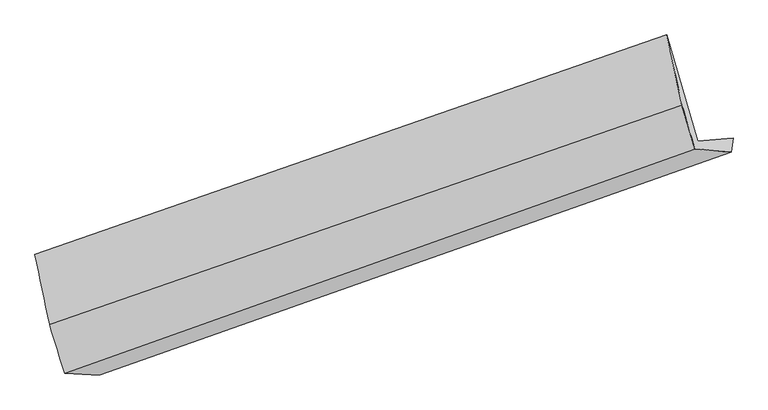
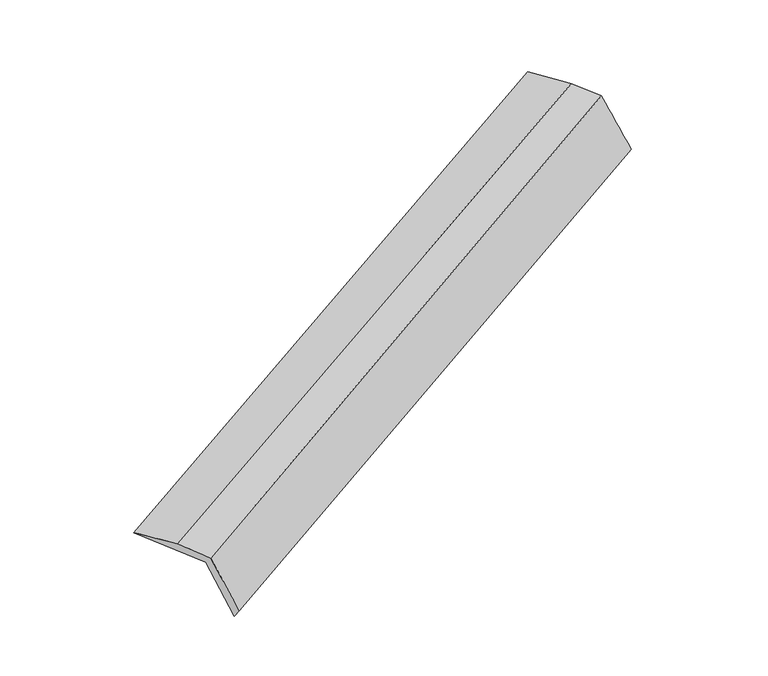
"""IFC4 building model written with IfcOpenShell, lengths in millimetres: proxy geometry."""

from ifc_helpers import new_model, si_unit, frame, origin, place, context, project, spatial, source, transform, mapped, element, save
from ifc_brep_helpers import plane_surface, spline_surface, advanced_brep


def generic_models_ffbdba62(model_context):
    return source(origin(), model_context, "Body", "AdvancedBrep", [
        advanced_brep(
        [(-4932.2200916, -2451.3087607, 479.7553609), (-5202.7357782, -2452.85135, 1114.569843), (-569.4547058, -849.3907087, 3093.4787742), (-311.5047467, -825.5147261, 2468.936323), (-5429.9362198, -1680.1368006, 1019.6298187), (-798.6819278, -69.783027, 2997.6918212), (-5322.1996483, -2195.7339736, 1185.7106888), (-686.807879, -586.103422, 3154.8252546), (-5212.7697113, -2553.5356617, 1219.774946), (-592.462344, -906.9750148, 3194.2493302), (-4949.6722498, -2565.8195625, 613.5545202), (-323.7858599, -931.4902027, 2583.8677509)],
        [
            (0, 1),
            (1, 2),
            (2, 3),
            (3, 0),
            (1, 4),
            (4, 5),
            (5, 2),
            (4, 6),
            (6, 7),
            (7, 5),
            (6, 8),
            (8, 9),
            (9, 7),
            (8, 10),
            (10, 11),
            (11, 9),
            (10, 0),
            (3, 11),
        ],
        [
            spline_surface(1, 1, [[(-4932.2200916, -2451.3087607, 479.7553609), (-311.5047467, -825.5147261, 2468.936323)], [(-5202.7357782, -2452.85135, 1114.569843), (-569.4547058, -849.3907087, 3093.4787742)]], [2, 2], [2, 2], [0.0, 1.0], [0.0, 1.0]),
            plane_surface(frame((-5316.335999, -2066.4940753, 1067.0998308), z_axis=(0.39211666980516663, 0.002268038877657877, -0.9199126987168705), x_axis=(-0.2801484198024922, 0.9527919858026714, -0.11706534360078051))),
            spline_surface(1, 1, [[(-5429.9362198, -1680.1368006, 1019.6298187), (-798.6819278, -69.783027, 2997.6918212)], [(-5322.1996483, -2195.7339736, 1185.7106888), (-686.807879, -586.103422, 3154.8252546)]], [2, 2], [2, 2], [0.0, 1.0], [0.0, 1.0]),
            spline_surface(1, 1, [[(-5322.1996483, -2195.7339736, 1185.7106888), (-686.807879, -586.103422, 3154.8252546)], [(-5212.7697113, -2553.5356617, 1219.774946), (-592.462344, -906.9750148, 3194.2493302)]], [2, 2], [2, 2], [0.0, 1.0], [0.0, 1.0]),
            spline_surface(1, 1, [[(-5212.7697113, -2553.5356617, 1219.774946), (-592.462344, -906.9750148, 3194.2493302)], [(-4949.6722498, -2565.8195625, 613.5545202), (-323.7858599, -931.4902027, 2583.8677509)]], [2, 2], [2, 2], [0.0, 1.0], [0.0, 1.0]),
            spline_surface(1, 1, [[(-4949.6722498, -2565.8195625, 613.5545202), (-323.7858599, -931.4902027, 2583.8677509)], [(-4932.2200916, -2451.3087607, 479.7553609), (-311.5047467, -825.5147261, 2468.936323)]], [2, 2], [2, 2], [0.0, 1.0], [0.0, 1.0]),
            plane_surface(frame((-547.1162439, -694.8761835, 2915.508209), z_axis=(0.8764863117823564, 0.3036168333218676, 0.3736155293637612), x_axis=(0.4026030998055188, -0.03673522340098597, -0.9146372326713292))),
            plane_surface(frame((-5174.9222832, -2316.5643515, 938.8325296), z_axis=(-0.8762619943336782, -0.3036156031233214, -0.374142329637301), x_axis=(-0.09861469081321747, -0.6470516225809533, 0.7560418906854098))),
        ],
        [
            (0, [[1, 2, 3, 4]]),
            (1, [[5, 6, 7, -2]]),
            (2, [[8, 9, 10, -6]]),
            (3, [[11, 12, 13, -9]]),
            (4, [[14, 15, 16, -12]]),
            (5, [[17, -4, 18, -15]]),
            (6, [[-16, -18, -3, -7, -10, -13]]),
            (7, [[-17, -14, -11, -8, -5, -1]]),
        ],
    ),
    ])


if __name__ == "__main__":
    model = new_model("IFC4")
    model_context = context("Model", 3, world=origin())
    ifc_project = project(units=[si_unit("LENGTHUNIT", "METRE", prefix="MILLI")], contexts=[model_context])
    site = spatial("IfcSite", under=ifc_project)
    building = spatial("IfcBuilding", under=site)
    placement = place(None, origin())
    generic_models_shape = generic_models_ffbdba62(model_context)
    element("IfcBuildingElementProxy", 1, Name="Generic Models", at=placement, inside=building, context=model_context, shape_type="MappedRepresentation", body=[
        mapped(generic_models_shape, transform((0.0, 0.0, 0.0), x_axis=(1.0, 0.0, 0.0), y_axis=(0.0, 1.0, 0.0), z_axis=(0.0, 0.0, 1.0))),
    ])
    save(model, "model.ifc")
